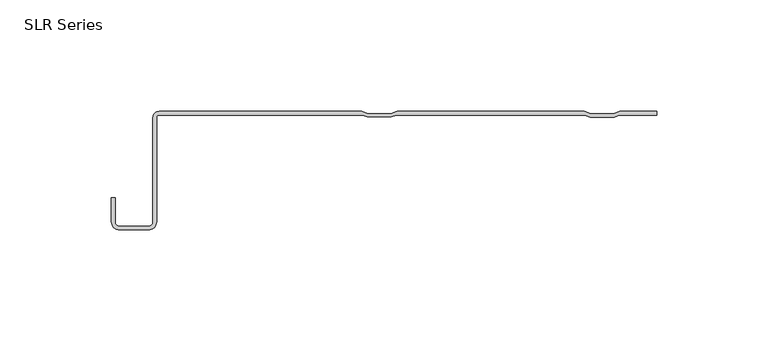
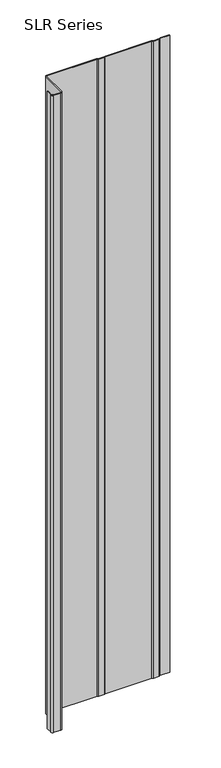
"""IFC4 building model written with IfcOpenShell, lengths in millimetres: plate geometry, SLR Series."""

import ifcopenshell
import ifcopenshell.guid

model = None  # the IFC model being written
_history = None  # IfcOwnerHistory: only IFC2X3 demands one
_inside = {}  # id of a spatial element -> (the spatial element, [elements in it])
_under = {}  # id of a project, library or spatial element -> (it, [spatial elements below it])
_declared = {}  # id of a project -> (the project, [libraries it declares])
_typed = {}  # id of a type object -> (the type object, [elements of that type])
_made_of = {}  # id of a material, layer set ... -> (it, [elements and type objects made of it])


def new_model(schema):
    """Start an empty IFC model of exactly this schema.

    Asked for "IFC4X3", IfcOpenShell would pick the latest addendum, in which some entities
    have other attributes; the version numbers below select the first issue.
    IFC2X3 requires an IfcOwnerHistory on every rooted entity: one is made here for all.
    """
    global model, _history
    if schema == "IFC4X3":
        model = ifcopenshell.file(schema_version=(4, 3, 0, 0))
    else:
        model = ifcopenshell.file(schema=schema)
    _inside.clear()
    _under.clear()
    _declared.clear()
    _typed.clear()
    _made_of.clear()
    _history = None
    if model.schema == "IFC2X3":
        org = make("IfcOrganization", Name="unknown")
        user = make(
            "IfcPersonAndOrganization",
            ThePerson=make("IfcPerson", FamilyName="unknown"),
            TheOrganization=org,
        )
        app = make(
            "IfcApplication",
            ApplicationDeveloper=org,
            Version="unknown",
            ApplicationFullName="unknown",
            ApplicationIdentifier="unknown",
        )
        _history = make(
            "IfcOwnerHistory",
            OwningUser=user,
            OwningApplication=app,
            ChangeAction="ADDED",
            CreationDate=0,
        )
    return model


def make(cls, **values):
    """One entity of the class cls with the attributes given. An attribute that is None is left unset."""
    return model.create_entity(
        cls, **{name: value for name, value in values.items() if value is not None}
    )


def rooted(cls, **values):
    """An entity with a GlobalId (a new one), such as an element, a storey or a relation."""
    return make(cls, GlobalId=ifcopenshell.guid.new(), OwnerHistory=_history, **values)


def si_unit(unit_type, name, prefix=None):
    """IfcSIUnit, for example si_unit("LENGTHUNIT", "METRE", prefix="MILLI")."""
    return make("IfcSIUnit", UnitType=unit_type, Prefix=prefix, Name=name)


def assignment(units):
    """IfcUnitAssignment: the units of a project."""
    return None if units is None else make("IfcUnitAssignment", Units=units)


def point(xyz):
    """IfcCartesianPoint."""
    return None if xyz is None else make("IfcCartesianPoint", Coordinates=xyz)


def direction(xyz):
    """IfcDirection."""
    return None if xyz is None else make("IfcDirection", DirectionRatios=xyz)


def frame(location, z_axis=None, x_axis=None):
    """IfcAxis2Placement3D, a coordinate frame: its origin and axes. An axis left out is left unset."""
    return make(
        "IfcAxis2Placement3D",
        Location=point(location),
        Axis=direction(z_axis),
        RefDirection=direction(x_axis),
    )


def frame_2d(location, x_axis=None):
    """IfcAxis2Placement2D, a coordinate frame in the plane: its origin and x axis."""
    return make(
        "IfcAxis2Placement2D", Location=point(location), RefDirection=direction(x_axis)
    )


def origin():
    """The frame at (0, 0, 0) with its axes left unset."""
    return frame((0.0, 0.0, 0.0))


def origin_with_axes():
    """The frame at (0, 0, 0) with the z axis (0, 0, 1) and the x axis (1, 0, 0) written out."""
    return frame((0.0, 0.0, 0.0), z_axis=(0.0, 0.0, 1.0), x_axis=(1.0, 0.0, 0.0))


def place(relative_to, where):
    """IfcLocalPlacement: puts the frame where relative to a parent placement (None: the world)."""
    return make(
        "IfcLocalPlacement", PlacementRelTo=relative_to, RelativePlacement=where
    )


def context(
    kind, dimensions, precision=None, world=None, true_north=None, identifier=None
):
    """IfcGeometricRepresentationContext, for example the 3D "Model" context."""
    return make(
        "IfcGeometricRepresentationContext",
        ContextIdentifier=identifier,
        ContextType=kind,
        CoordinateSpaceDimension=dimensions,
        Precision=precision,
        WorldCoordinateSystem=world,
        TrueNorth=true_north,
    )


def project(units=None, contexts=None):
    """IfcProject with its units and contexts."""
    return rooted(
        "IfcProject",
        Name="project",
        RepresentationContexts=contexts,
        UnitsInContext=assignment(units),
    )


def spatial(cls, under=None, at=None, **own):
    """A site, building, storey or space (cls), placed at a placement, below another one or the project."""
    s = rooted(cls, ObjectPlacement=at, **own)
    if under is not None:
        _under.setdefault(under.id(), (under, []))[1].append(s)
    return s


def polyline(points):
    """IfcPolyline through the points."""
    return make("IfcPolyline", Points=[point(p) for p in points])


def circle_curve(where, radius):
    """IfcCircle in the frame where."""
    return make("IfcCircle", Position=where, Radius=radius)


def trimmed(basis, trim1, trim2, sense, master):
    """IfcTrimmedCurve: the piece of a basis curve between two trims."""
    return make(
        "IfcTrimmedCurve",
        BasisCurve=basis,
        Trim1=trim1,
        Trim2=trim2,
        SenseAgreement=sense,
        MasterRepresentation=master,
    )


def segment(curve, same_sense, transition):
    """IfcCompositeCurveSegment."""
    return make(
        "IfcCompositeCurveSegment",
        Transition=transition,
        SameSense=same_sense,
        ParentCurve=curve,
    )


def composite_curve(segments, self_intersect=None):
    """IfcCompositeCurve: segments joined end to end."""
    return make("IfcCompositeCurve", Segments=segments, SelfIntersect=self_intersect)


def outline(outer, holes=None, kind="AREA"):
    """IfcArbitraryClosedProfileDef: a profile drawn as a closed curve; with holes, ...WithVoids."""
    if holes is None:
        return make("IfcArbitraryClosedProfileDef", ProfileType=kind, OuterCurve=outer)
    return make(
        "IfcArbitraryProfileDefWithVoids",
        ProfileType=kind,
        OuterCurve=outer,
        InnerCurves=holes,
    )


def extrude(swept, where, along, depth):
    """IfcExtrudedAreaSolid: the profile swept, set in the frame where, extruded along a direction by depth."""
    return make(
        "IfcExtrudedAreaSolid",
        SweptArea=swept,
        Position=where,
        ExtrudedDirection=direction(along),
        Depth=depth,
    )


def shape(context_of_items, identifier, shape_type, items):
    """IfcShapeRepresentation: the items that make up one representation, for example the "Body"."""
    return make(
        "IfcShapeRepresentation",
        ContextOfItems=context_of_items,
        RepresentationIdentifier=identifier,
        RepresentationType=shape_type,
        Items=items,
    )


def source(mapping_origin, context_of_items, identifier, shape_type, items):
    """IfcRepresentationMap: a shape defined once, which mapped items show again and again."""
    return make(
        "IfcRepresentationMap",
        MappingOrigin=mapping_origin,
        MappedRepresentation=shape(context_of_items, identifier, shape_type, items),
    )


def transform(
    local_origin,
    x_axis=None,
    y_axis=None,
    z_axis=None,
    scale=None,
    scale2=None,
    scale3=None,
    uniform=True,
):
    """IfcCartesianTransformationOperator3D, or its non-uniform kind. x_axis, y_axis, z_axis: its Axis1, 2, 3."""
    if uniform:
        return make(
            "IfcCartesianTransformationOperator3D",
            Axis1=direction(x_axis),
            Axis2=direction(y_axis),
            LocalOrigin=point(local_origin),
            Scale=scale,
            Axis3=direction(z_axis),
        )
    return make(
        "IfcCartesianTransformationOperator3DnonUniform",
        Axis1=direction(x_axis),
        Axis2=direction(y_axis),
        LocalOrigin=point(local_origin),
        Scale=scale,
        Axis3=direction(z_axis),
        Scale2=scale2,
        Scale3=scale3,
    )


def mapped(mapping_source, mapping_target):
    """IfcMappedItem: shows the shape of a source again, moved by a transform."""
    return make(
        "IfcMappedItem", MappingSource=mapping_source, MappingTarget=mapping_target
    )


def made_of(thing, what):
    """Note that an element or type object is made of a material, layer set ...; save() writes the relation."""
    if what is not None:
        _made_of.setdefault(what.id(), (what, []))[1].append(thing)
    return thing


def element(
    cls,
    number,
    at=None,
    inside=None,
    cuts=None,
    type_object=None,
    material=None,
    context=None,
    identifier="Body",
    shape_type=None,
    held_by="IfcProductDefinitionShape",
    body=None,
    shapes=None,
    **own,
):
    """One element of the class cls, such as IfcWall. Its Tag is "e" and its number.

    at: its placement. inside: the storey or other place that contains it. cuts: it is an
    opening in that element (IfcRelVoidsElement). A single representation is given by context,
    identifier, shape_type and body (its items); several are given by shapes. held_by: the class
    of the entity that holds the representations. save() writes the other relations.
    """
    e = rooted(cls, Tag="e%d" % number, ObjectPlacement=at, **own)
    if body is not None:
        shapes = [shape(context, identifier, shape_type, body)]
    if shapes is not None:
        e.Representation = make(held_by, Representations=shapes)
    if inside is not None:
        _inside.setdefault(inside.id(), (inside, []))[1].append(e)
    if cuts is not None:
        rooted(
            "IfcRelVoidsElement", RelatingBuildingElement=cuts, RelatedOpeningElement=e
        )
    if type_object is not None:
        _typed.setdefault(type_object.id(), (type_object, []))[1].append(e)
    return made_of(e, material)


def aggregate(whole, parts):
    """IfcRelAggregates: a whole, such as a stair, and the parts it consists of."""
    return rooted("IfcRelAggregates", RelatingObject=whole, RelatedObjects=parts)


def save(model, path):
    """Write the relations noted so far, then the file.

    IfcRelAggregates (storeys below a building ...), IfcRelContainedInSpatialStructure (elements
    in a storey), IfcRelDefinesByType, IfcRelAssociatesMaterial and IfcRelDeclares: one each for
    every whole, place, type object, material and project.
    """
    for whole, parts in _under.values():
        aggregate(whole, parts)
    for where, things in _inside.values():
        rooted(
            "IfcRelContainedInSpatialStructure",
            RelatedElements=things,
            RelatingStructure=where,
        )
    for kind, things in _typed.values():
        rooted("IfcRelDefinesByType", RelatedObjects=things, RelatingType=kind)
    for what, things in _made_of.values():
        rooted("IfcRelAssociatesMaterial", RelatedObjects=things, RelatingMaterial=what)
    for by, libraries in _declared.values():
        rooted("IfcRelDeclares", RelatingContext=by, RelatedDefinitions=libraries)
    model.write(path)


def slr_series_4fe564e3(model_context):
    return source(origin(), model_context, "Body", "SweptSolid", [
        extrude(outline(composite_curve([segment(polyline([(-129.0833911, -38.6547993), (-129.0833911, -49.4817223)]), True, "CONTINUOUS"), segment(trimmed(circle_curve(frame_2d((-127.0253809, -49.4817223)), 2.0580101), [point((-129.0833911, -49.4817223))], [point((-127.0253809, -51.5397324))], True, "CARTESIAN"), True, "CONTINUOUS"), segment(polyline([(-127.0253809, -51.5397324), (-114.1404478, -51.5397324)]), True, "CONTINUOUS"), segment(trimmed(circle_curve(frame_2d((-114.1404478, -49.4817223)), 2.0580101), [point((-114.1404478, -51.5397324))], [point((-112.0824377, -49.4817223))], True, "CARTESIAN"), True, "CONTINUOUS"), segment(polyline([(-112.0824377, -49.4817223), (-112.0824377, -2.7738398)]), True, "CONTINUOUS"), segment(trimmed(circle_curve(frame_2d((-109.3085979, -2.7738398)), 2.7738398), [point((-112.0824377, -2.7738398))], [point((-109.3085979, 0.0))], False, "CARTESIAN"), True, "CONTINUOUS"), segment(polyline([(-109.3085979, 0.0), (-18.4673814, 0.0), (-15.6427323, -1.1298596), (-5.322143, -1.1298596), (-2.4974939, 0.0), (81.5107956, 0.0), (84.3354447, -1.1298596), (94.656034, -1.1298596), (97.4806831, 0.0), (113.9042607, 0.0), (113.9042607, -1.6177749), (97.2215038, -1.6177749), (94.8503118, -2.5662518), (84.1411669, -2.5662518), (81.7699748, -1.6177749), (-2.9314167, -1.6177749), (-5.1278652, -2.4963543), (-15.8370101, -2.4963543), (-18.0334586, -1.6177749), (-109.3085979, -1.6177749)]), True, "CONTINUOUS"), segment(trimmed(circle_curve(frame_2d((-109.3085979, -2.7738398)), 1.1560648), [point((-109.3085979, -1.6177749))], [point((-110.4646627, -2.7738398))], True, "CARTESIAN"), True, "CONTINUOUS"), segment(polyline([(-110.4646627, -2.7738398), (-110.4646627, -49.4817223)]), True, "CONTINUOUS"), segment(trimmed(circle_curve(frame_2d((-114.1404478, -49.4817223)), 3.6757851), [point((-110.4646627, -49.4817223))], [point((-114.1404478, -53.1575073))], False, "CARTESIAN"), True, "CONTINUOUS"), segment(polyline([(-114.1404478, -53.1575073), (-127.0253809, -53.1575073)]), True, "CONTINUOUS"), segment(trimmed(circle_curve(frame_2d((-127.0253809, -49.4817223)), 3.6757851), [point((-127.0253809, -53.1575073))], [point((-130.701166, -49.4817223))], False, "CARTESIAN"), True, "CONTINUOUS"), segment(polyline([(-130.701166, -49.4817223), (-130.701166, -38.6547993), (-129.0833911, -38.6547993)]), True, "CONTINUOUS")], self_intersect=False)), origin_with_axes(), (0.0, 0.0, 1.0), 1228.3559792),
    ])


if __name__ == "__main__":
    model = new_model("IFC4")
    model_context = context("Model", 3, world=origin())
    ifc_project = project(units=[si_unit("LENGTHUNIT", "METRE", prefix="MILLI")], contexts=[model_context])
    site = spatial("IfcSite", under=ifc_project)
    building = spatial("IfcBuilding", under=site)
    placement = place(None, origin())
    slr_series_shape = slr_series_4fe564e3(model_context)
    element("IfcPlate", 1, ObjectType="SLR Series", at=placement, inside=building, context=model_context, shape_type="MappedRepresentation", body=[
        mapped(slr_series_shape, transform((0.0, 0.0, 0.0), x_axis=(1.0, 0.0, 0.0), y_axis=(0.0, 1.0, 0.0), z_axis=(0.0, 0.0, 1.0))),
    ])
    save(model, "model.ifc")
